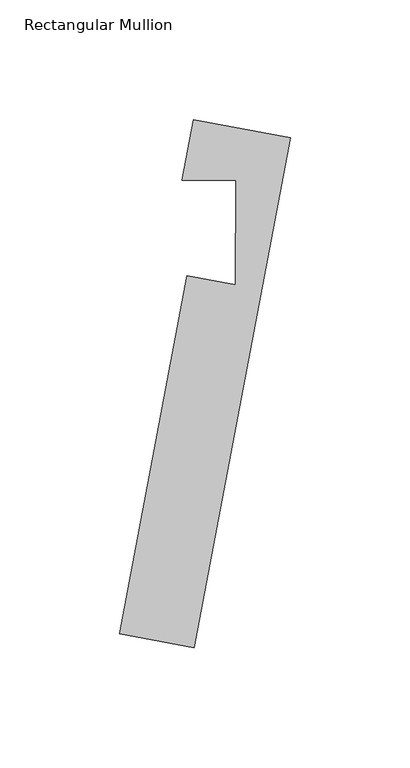
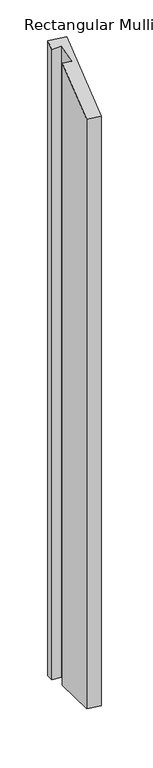
"""IFC4 building model written with IfcOpenShell, lengths in millimetres: member geometry, Rectangular Mullion."""

from ifc_helpers import new_model, si_unit, origin, place, context, project, spatial, faceted_brep, source, transform, mapped, element, save


def rectangular_mullion_2739d36d(model_context):
    return source(origin(), model_context, "Body", "Brep", [
        faceted_brep([(-60.3392001, -147.8893316, -41.9439052), (-31.9652028, 1.8460225, -1.1084483), (-31.9652028, 1.8460225, -1576.6533743), (-60.3392001, -147.8893316, -1535.851945), (-29.1443347, -153.8005811, -41.9441156), (-29.1443347, -153.8005811, -1535.8517348), (11.2544177, 59.391851, 16.1971993), (11.2544177, 59.391851, -1593.9446013), (-29.2983821, 67.0763758, 16.1974728), (-29.2983821, 67.0763758, -1593.9448746), (-34.1160765, 41.6524226, 9.2639149), (-34.1160765, 41.6524226, -1587.0170944), (-11.5476328, 41.5796702, 10.3704884), (-11.5476328, 41.5796702, -1588.1227457), (-11.688106, -1.9963719, -1.108585), (-11.688106, -1.9963719, -1576.6532377)], [[[0, 1, 2, 3]], [[4, 0, 3, 5]], [[6, 4, 5, 7]], [[8, 6, 7, 9]], [[10, 8, 9, 11]], [[12, 10, 11, 13]], [[14, 12, 13, 15]], [[1, 14, 15, 2]], [[1, 0, 4, 6, 8, 10, 12, 14]], [[2, 15, 13, 11, 9, 7, 5, 3]]]),
    ])


if __name__ == "__main__":
    model = new_model("IFC4")
    model_context = context("Model", 3, world=origin())
    ifc_project = project(units=[si_unit("LENGTHUNIT", "METRE", prefix="MILLI")], contexts=[model_context])
    site = spatial("IfcSite", under=ifc_project)
    building = spatial("IfcBuilding", under=site)
    placement = place(None, origin())
    rectangular_mullion_shape = rectangular_mullion_2739d36d(model_context)
    element("IfcMember", 1, ObjectType="Rectangular Mullion", at=placement, inside=building, context=model_context, shape_type="MappedRepresentation", body=[
        mapped(rectangular_mullion_shape, transform((0.0, 0.0, 0.0), x_axis=(1.0, 0.0, 0.0), y_axis=(0.0, 1.0, 0.0), z_axis=(0.0, 0.0, 1.0))),
    ])
    save(model, "model.ifc")
